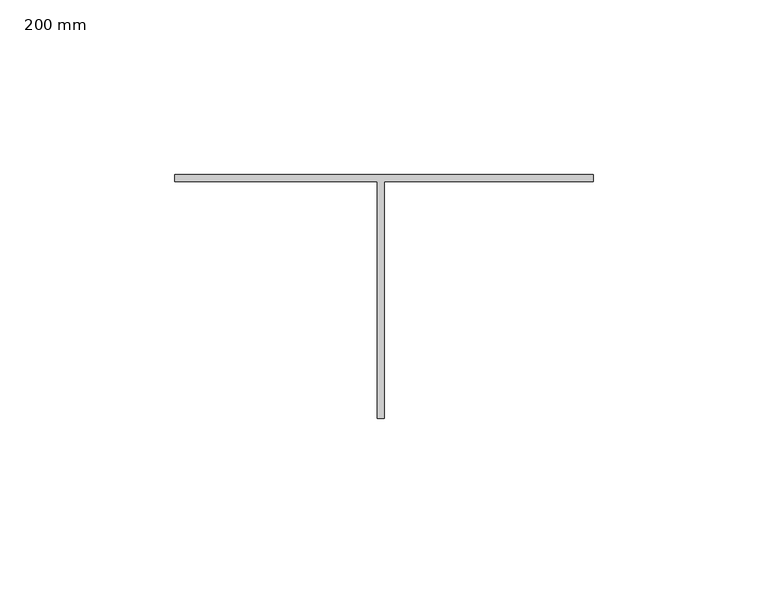
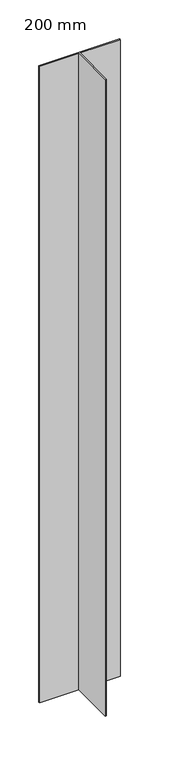
"""IFC4 building model written with IfcOpenShell, lengths in millimetres: proxy geometry, 200 mm."""

from ifc_helpers import new_model, si_unit, origin, origin_with_axes, place, context, project, spatial, polyline, outline, extrude, source, transform, mapped, element, save


def proxy_200_mm_7d12dfa2(model_context):
    return source(origin(), model_context, "Body", "SweptSolid", [
        extrude(outline(polyline([(-60.0, 192.0), (60.0, 192.0), (60.0, 190.0), (0.0, 190.0), (0.0, 122.0), (-2.0, 122.0), (-2.0, 190.0), (-60.0, 190.0), (-60.0, 192.0)])), origin_with_axes(), (0.0, 0.0, 1.0), 1000.0),
    ])


if __name__ == "__main__":
    model = new_model("IFC4")
    model_context = context("Model", 3, world=origin())
    ifc_project = project(units=[si_unit("LENGTHUNIT", "METRE", prefix="MILLI")], contexts=[model_context])
    site = spatial("IfcSite", under=ifc_project)
    building = spatial("IfcBuilding", under=site)
    placement = place(None, origin())
    proxy_200_mm_shape = proxy_200_mm_7d12dfa2(model_context)
    element("IfcBuildingElementProxy", 1, Name="200 mm", ObjectType="200 mm", at=placement, inside=building, context=model_context, shape_type="MappedRepresentation", body=[
        mapped(proxy_200_mm_shape, transform((0.0, 0.0, 0.0), x_axis=(1.0, 0.0, 0.0), y_axis=(0.0, 1.0, 0.0), z_axis=(0.0, 0.0, 1.0))),
    ])
    save(model, "model.ifc")
